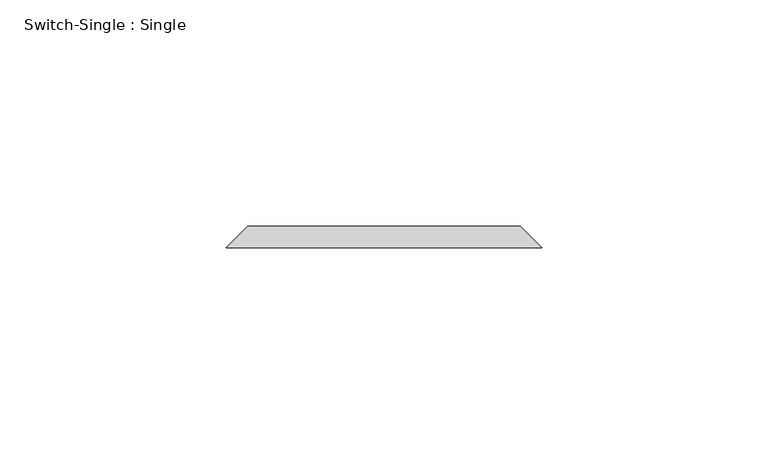
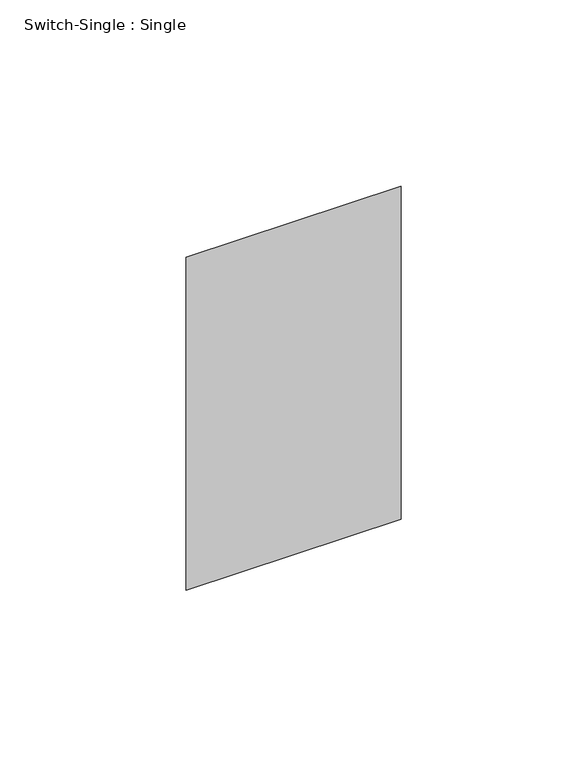
"""IFC4 building model written with IfcOpenShell, lengths in millimetres: proxy geometry, Switch-Single : Single."""

from ifc_helpers import new_model, si_unit, origin, place, context, project, spatial, faceted_brep, source, transform, mapped, element, save


def switch_single_single_f2c69e20(model_context):
    return source(origin(), model_context, "Body", "Brep", [
        faceted_brep([(-30.1625, 173.0375, 1271.5875), (30.1625, 173.0375, 1271.5875), (30.1625, 173.0375, 1166.8125), (-30.1625, 173.0375, 1166.8125), (-34.925, 168.275, 1276.35), (-34.925, 168.275, 1162.05), (34.925, 168.275, 1162.05), (34.925, 168.275, 1276.35)], [[[0, 1, 2, 3]], [[4, 5, 6, 7]], [[4, 7, 1, 0]], [[7, 6, 2, 1]], [[6, 5, 3, 2]], [[5, 4, 0, 3]]]),
    ])


if __name__ == "__main__":
    model = new_model("IFC4")
    model_context = context("Model", 3, world=origin())
    ifc_project = project(units=[si_unit("LENGTHUNIT", "METRE", prefix="MILLI")], contexts=[model_context])
    site = spatial("IfcSite", under=ifc_project)
    building = spatial("IfcBuilding", under=site)
    placement = place(None, origin())
    switch_single_single_shape = switch_single_single_f2c69e20(model_context)
    element("IfcBuildingElementProxy", 1, Name="Switch-Single : Single", ObjectType="Switch-Single : Single", at=placement, inside=building, context=model_context, shape_type="MappedRepresentation", body=[
        mapped(switch_single_single_shape, transform((0.0, 0.0, 0.0), x_axis=(1.0, 0.0, 0.0), y_axis=(0.0, 1.0, 0.0), z_axis=(0.0, 0.0, 1.0))),
    ])
    save(model, "model.ifc")
